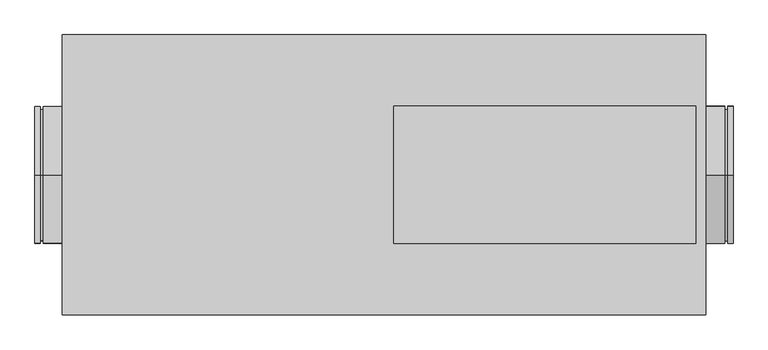
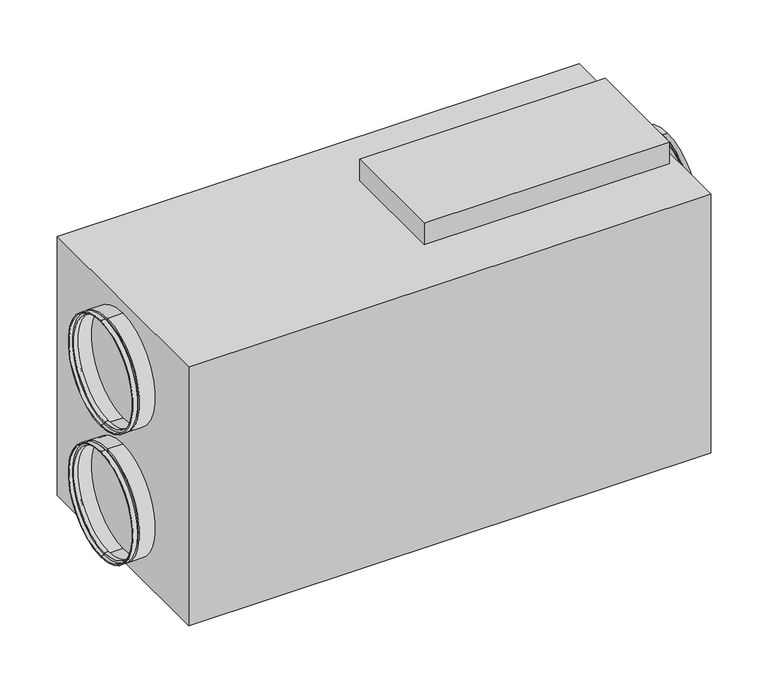
"""IFC4 building model written with IfcOpenShell, lengths in millimetres: proxy geometry."""

from ifc_helpers import new_model, si_unit, frame, origin, place, context, project, spatial, polyline, circle_curve, outline, extrude, source, transform, mapped, element, save
from ifc_brep_helpers import plane_surface, cylinder_surface, revolved_surface, advanced_brep


def mechanical_equipment_6e9532b8(model_context):
    return source(origin(), model_context, "Body", "SolidModel", [
        extrude(outline(polyline([(567.5, 125.0), (567.5, -125.0), (17.5, -125.0), (17.5, 125.0), (567.5, 125.0)])), frame((0.0, 0.0, 644.0), z_axis=(0.0, 0.0, 1.0), x_axis=(1.0, 0.0, 0.0)), (0.0, 0.0, 1.0), 51.0),
        advanced_brep(
        [(625.0, 0.0, 57.0), (625.0, 0.0, 307.0), (635.0, 0.0, 307.0), (635.0, 0.0, 57.0), (625.0, 0.0, 62.0), (625.0, 0.0, 302.0), (620.0, 0.0, 62.0), (620.0, 0.0, 302.0), (620.0, 0.0, 57.0), (620.0, 0.0, 307.0), (585.0, 0.0, 57.0), (585.0, 0.0, 307.0), (585.0, 0.0, 59.0), (585.0, 0.0, 305.0), (618.0, 0.0, 59.0), (618.0, 0.0, 305.0), (618.0, 0.0, 64.0), (618.0, 0.0, 300.0), (627.0, 0.0, 64.0), (627.0, 0.0, 300.0), (627.0, 0.0, 59.0), (627.0, 0.0, 305.0), (635.0, 0.0, 59.0), (635.0, 0.0, 305.0)],
        [
            (0, 1, circle_curve(frame((625.0, 0.0, 182.0), z_axis=(1.0, 0.0, 0.0), x_axis=(0.0, 0.0, 1.0)), 125.0)),
            (1, 2),
            (2, 3, circle_curve(frame((635.0, 0.0, 182.0), z_axis=(-1.0, 0.0, 0.0), x_axis=(0.0, 0.0, 1.0)), 125.0)),
            (3, 0),
            (1, 0, circle_curve(frame((625.0, 0.0, 182.0), z_axis=(1.0, 0.0, 0.0), x_axis=(0.0, 0.0, 1.0)), 125.0)),
            (3, 2, circle_curve(frame((635.0, 0.0, 182.0), z_axis=(-1.0, 0.0, 0.0), x_axis=(0.0, 0.0, 1.0)), 125.0)),
            (4, 5, circle_curve(frame((625.0, 0.0, 182.0), z_axis=(1.0, 0.0, 0.0), x_axis=(0.0, 0.0, 1.0)), 120.0)),
            (5, 1),
            (0, 4),
            (5, 4, circle_curve(frame((625.0, 0.0, 182.0), z_axis=(1.0, 0.0, 0.0), x_axis=(0.0, 0.0, 1.0)), 120.0)),
            (6, 7, circle_curve(frame((620.0, 0.0, 182.0), z_axis=(1.0, 0.0, 0.0), x_axis=(0.0, 0.0, 1.0)), 120.0)),
            (7, 5),
            (4, 6),
            (7, 6, circle_curve(frame((620.0, 0.0, 182.0), z_axis=(1.0, 0.0, 0.0), x_axis=(0.0, 0.0, 1.0)), 120.0)),
            (8, 9, circle_curve(frame((620.0, 0.0, 182.0), z_axis=(1.0, 0.0, 0.0), x_axis=(0.0, 0.0, 1.0)), 125.0)),
            (9, 7),
            (6, 8),
            (9, 8, circle_curve(frame((620.0, 0.0, 182.0), z_axis=(1.0, 0.0, 0.0), x_axis=(0.0, 0.0, 1.0)), 125.0)),
            (10, 11, circle_curve(frame((585.0, 0.0, 182.0), z_axis=(1.0, 0.0, 0.0), x_axis=(0.0, 0.0, 1.0)), 125.0)),
            (11, 9),
            (8, 10),
            (11, 10, circle_curve(frame((585.0, 0.0, 182.0), z_axis=(1.0, 0.0, 0.0), x_axis=(0.0, 0.0, 1.0)), 125.0)),
            (12, 13, circle_curve(frame((585.0, 0.0, 182.0), z_axis=(1.0, 0.0, 0.0), x_axis=(0.0, 0.0, 1.0)), 123.0)),
            (13, 11),
            (10, 12),
            (13, 12, circle_curve(frame((585.0, 0.0, 182.0), z_axis=(1.0, 0.0, 0.0), x_axis=(0.0, 0.0, 1.0)), 123.0)),
            (14, 15, circle_curve(frame((618.0, 0.0, 182.0), z_axis=(1.0, 0.0, 0.0), x_axis=(0.0, 0.0, 1.0)), 123.0)),
            (15, 13),
            (12, 14),
            (15, 14, circle_curve(frame((618.0, 0.0, 182.0), z_axis=(1.0, 0.0, 0.0), x_axis=(0.0, 0.0, 1.0)), 123.0)),
            (16, 17, circle_curve(frame((618.0, 0.0, 182.0), z_axis=(1.0, 0.0, 0.0), x_axis=(0.0, 0.0, 1.0)), 118.0)),
            (17, 15),
            (14, 16),
            (17, 16, circle_curve(frame((618.0, 0.0, 182.0), z_axis=(1.0, 0.0, 0.0), x_axis=(0.0, 0.0, 1.0)), 118.0)),
            (18, 19, circle_curve(frame((627.0, 0.0, 182.0), z_axis=(1.0, 0.0, 0.0), x_axis=(0.0, 0.0, 1.0)), 118.0)),
            (19, 17),
            (16, 18),
            (19, 18, circle_curve(frame((627.0, 0.0, 182.0), z_axis=(1.0, 0.0, 0.0), x_axis=(0.0, 0.0, 1.0)), 118.0)),
            (20, 21, circle_curve(frame((627.0, 0.0, 182.0), z_axis=(1.0, 0.0, 0.0), x_axis=(0.0, 0.0, 1.0)), 123.0)),
            (21, 19),
            (18, 20),
            (21, 20, circle_curve(frame((627.0, 0.0, 182.0), z_axis=(1.0, 0.0, 0.0), x_axis=(0.0, 0.0, 1.0)), 123.0)),
            (22, 23, circle_curve(frame((635.0, 0.0, 182.0), z_axis=(1.0, 0.0, 0.0), x_axis=(0.0, 0.0, 1.0)), 123.0)),
            (23, 21),
            (20, 22),
            (23, 22, circle_curve(frame((635.0, 0.0, 182.0), z_axis=(1.0, 0.0, 0.0), x_axis=(0.0, 0.0, 1.0)), 123.0)),
            (2, 23),
            (22, 3),
        ],
        [
            cylinder_surface(frame((2170.0440172, 0.0, 182.0), z_axis=(-1.0, 0.0, 0.0), x_axis=(0.0, 0.0, 1.0)), 125.0),
            plane_surface(frame((625.0, 0.0, 182.0), z_axis=(-1.0, 0.0, 0.0), x_axis=(0.0, 0.0, 1.0))),
            cylinder_surface(frame((2170.0440172, 0.0, 182.0), z_axis=(-1.0, 0.0, 0.0), x_axis=(0.0, 0.0, 1.0)), 120.0),
            plane_surface(frame((620.0, 0.0, 182.0), z_axis=(1.0, 0.0, 0.0), x_axis=(0.0, 0.0, 1.0))),
            plane_surface(frame((585.0, 0.0, 182.0), z_axis=(-1.0, 0.0, 0.0), x_axis=(0.0, 0.0, 1.0))),
            revolved_surface(polyline([(585.0, 0.0, 305.0), (618.0, 0.0, 305.0)]), (2170.0440172, 0.0, 182.0), (-1.0, 0.0, 0.0)),
            plane_surface(frame((618.0, 0.0, 182.0), z_axis=(-1.0, 0.0, 0.0), x_axis=(0.0, 0.0, 1.0))),
            revolved_surface(polyline([(618.0, 0.0, 300.0), (627.0, 0.0, 300.0)]), (2170.0440172, 0.0, 182.0), (-1.0, 0.0, 0.0)),
            plane_surface(frame((627.0, 0.0, 182.0), z_axis=(1.0, 0.0, 0.0), x_axis=(0.0, 0.0, 1.0))),
            revolved_surface(polyline([(627.0, 0.0, 305.0), (635.0, 0.0, 305.0)]), (2170.0440172, 0.0, 182.0), (-1.0, 0.0, 0.0)),
            plane_surface(frame((635.0, 0.0, 182.0), z_axis=(1.0, 0.0, 0.0), x_axis=(0.0, 0.0, 1.0))),
        ],
        [
            (0, [[1, 2, 3, 4]]),
            (0, [[5, -4, 6, -2]]),
            (1, [[7, 8, -1, 9]]),
            (1, [[10, -9, -5, -8]]),
            (2, [[11, 12, -7, 13]]),
            (2, [[14, -13, -10, -12]]),
            (3, [[15, 16, -11, 17]]),
            (3, [[18, -17, -14, -16]]),
            (0, [[19, 20, -15, 21]]),
            (0, [[22, -21, -18, -20]]),
            (4, [[23, 24, -19, 25]]),
            (4, [[26, -25, -22, -24]]),
            (5, [[27, 28, -23, 29]]),
            (5, [[30, -29, -26, -28]]),
            (6, [[31, 32, -27, 33]]),
            (6, [[34, -33, -30, -32]]),
            (7, [[35, 36, -31, 37]]),
            (7, [[38, -37, -34, -36]]),
            (8, [[39, 40, -35, 41]]),
            (8, [[42, -41, -38, -40]]),
            (9, [[43, 44, -39, 45]]),
            (9, [[46, -45, -42, -44]]),
            (10, [[-3, 47, -43, 48]]),
            (10, [[-6, -48, -46, -47]]),
        ],
    ),
        advanced_brep(
        [(625.0, 0.0, 367.0), (625.0, 0.0, 617.0), (635.0, 0.0, 617.0), (635.0, 0.0, 367.0), (625.0, 0.0, 372.0), (625.0, 0.0, 612.0), (620.0, 0.0, 372.0), (620.0, 0.0, 612.0), (620.0, 0.0, 367.0), (620.0, 0.0, 617.0), (585.0, 0.0, 367.0), (585.0, 0.0, 617.0), (585.0, 0.0, 369.0), (585.0, 0.0, 615.0), (618.0, 0.0, 369.0), (618.0, 0.0, 615.0), (618.0, 0.0, 374.0), (618.0, 0.0, 610.0), (627.0, 0.0, 374.0), (627.0, 0.0, 610.0), (627.0, 0.0, 369.0), (627.0, 0.0, 615.0), (635.0, 0.0, 369.0), (635.0, 0.0, 615.0)],
        [
            (0, 1, circle_curve(frame((625.0, 0.0, 492.0), z_axis=(1.0, 0.0, 0.0), x_axis=(0.0, 0.0, 1.0)), 125.0)),
            (1, 2),
            (2, 3, circle_curve(frame((635.0, 0.0, 492.0), z_axis=(-1.0, 0.0, 0.0), x_axis=(0.0, 0.0, 1.0)), 125.0)),
            (3, 0),
            (1, 0, circle_curve(frame((625.0, 0.0, 492.0), z_axis=(1.0, 0.0, 0.0), x_axis=(0.0, 0.0, 1.0)), 125.0)),
            (3, 2, circle_curve(frame((635.0, 0.0, 492.0), z_axis=(-1.0, 0.0, 0.0), x_axis=(0.0, 0.0, 1.0)), 125.0)),
            (4, 5, circle_curve(frame((625.0, 0.0, 492.0), z_axis=(1.0, 0.0, 0.0), x_axis=(0.0, 0.0, 1.0)), 120.0)),
            (5, 1),
            (0, 4),
            (5, 4, circle_curve(frame((625.0, 0.0, 492.0), z_axis=(1.0, 0.0, 0.0), x_axis=(0.0, 0.0, 1.0)), 120.0)),
            (6, 7, circle_curve(frame((620.0, 0.0, 492.0), z_axis=(1.0, 0.0, 0.0), x_axis=(0.0, 0.0, 1.0)), 120.0)),
            (7, 5),
            (4, 6),
            (7, 6, circle_curve(frame((620.0, 0.0, 492.0), z_axis=(1.0, 0.0, 0.0), x_axis=(0.0, 0.0, 1.0)), 120.0)),
            (8, 9, circle_curve(frame((620.0, 0.0, 492.0), z_axis=(1.0, 0.0, 0.0), x_axis=(0.0, 0.0, 1.0)), 125.0)),
            (9, 7),
            (6, 8),
            (9, 8, circle_curve(frame((620.0, 0.0, 492.0), z_axis=(1.0, 0.0, 0.0), x_axis=(0.0, 0.0, 1.0)), 125.0)),
            (10, 11, circle_curve(frame((585.0, 0.0, 492.0), z_axis=(1.0, 0.0, 0.0), x_axis=(0.0, 0.0, 1.0)), 125.0)),
            (11, 9),
            (8, 10),
            (11, 10, circle_curve(frame((585.0, 0.0, 492.0), z_axis=(1.0, 0.0, 0.0), x_axis=(0.0, 0.0, 1.0)), 125.0)),
            (12, 13, circle_curve(frame((585.0, 0.0, 492.0), z_axis=(1.0, 0.0, 0.0), x_axis=(0.0, 0.0, 1.0)), 123.0)),
            (13, 11),
            (10, 12),
            (13, 12, circle_curve(frame((585.0, 0.0, 492.0), z_axis=(1.0, 0.0, 0.0), x_axis=(0.0, 0.0, 1.0)), 123.0)),
            (14, 15, circle_curve(frame((618.0, 0.0, 492.0), z_axis=(1.0, 0.0, 0.0), x_axis=(0.0, 0.0, 1.0)), 123.0)),
            (15, 13),
            (12, 14),
            (15, 14, circle_curve(frame((618.0, 0.0, 492.0), z_axis=(1.0, 0.0, 0.0), x_axis=(0.0, 0.0, 1.0)), 123.0)),
            (16, 17, circle_curve(frame((618.0, 0.0, 492.0), z_axis=(1.0, 0.0, 0.0), x_axis=(0.0, 0.0, 1.0)), 118.0)),
            (17, 15),
            (14, 16),
            (17, 16, circle_curve(frame((618.0, 0.0, 492.0), z_axis=(1.0, 0.0, 0.0), x_axis=(0.0, 0.0, 1.0)), 118.0)),
            (18, 19, circle_curve(frame((627.0, 0.0, 492.0), z_axis=(1.0, 0.0, 0.0), x_axis=(0.0, 0.0, 1.0)), 118.0)),
            (19, 17),
            (16, 18),
            (19, 18, circle_curve(frame((627.0, 0.0, 492.0), z_axis=(1.0, 0.0, 0.0), x_axis=(0.0, 0.0, 1.0)), 118.0)),
            (20, 21, circle_curve(frame((627.0, 0.0, 492.0), z_axis=(1.0, 0.0, 0.0), x_axis=(0.0, 0.0, 1.0)), 123.0)),
            (21, 19),
            (18, 20),
            (21, 20, circle_curve(frame((627.0, 0.0, 492.0), z_axis=(1.0, 0.0, 0.0), x_axis=(0.0, 0.0, 1.0)), 123.0)),
            (22, 23, circle_curve(frame((635.0, 0.0, 492.0), z_axis=(1.0, 0.0, 0.0), x_axis=(0.0, 0.0, 1.0)), 123.0)),
            (23, 21),
            (20, 22),
            (23, 22, circle_curve(frame((635.0, 0.0, 492.0), z_axis=(1.0, 0.0, 0.0), x_axis=(0.0, 0.0, 1.0)), 123.0)),
            (2, 23),
            (22, 3),
        ],
        [
            cylinder_surface(frame((2170.0440172, 0.0, 492.0), z_axis=(-1.0, 0.0, 0.0), x_axis=(0.0, 0.0, 1.0)), 125.0),
            plane_surface(frame((625.0, 0.0, 492.0), z_axis=(-1.0, 0.0, 0.0), x_axis=(0.0, 0.0, 1.0))),
            cylinder_surface(frame((2170.0440172, 0.0, 492.0), z_axis=(-1.0, 0.0, 0.0), x_axis=(0.0, 0.0, 1.0)), 120.0),
            plane_surface(frame((620.0, 0.0, 492.0), z_axis=(1.0, 0.0, 0.0), x_axis=(0.0, 0.0, 1.0))),
            plane_surface(frame((585.0, 0.0, 492.0), z_axis=(-1.0, 0.0, 0.0), x_axis=(0.0, 0.0, 1.0))),
            revolved_surface(polyline([(585.0, 0.0, 615.0), (618.0, 0.0, 615.0)]), (2170.0440172, 0.0, 492.0), (-1.0, 0.0, 0.0)),
            plane_surface(frame((618.0, 0.0, 492.0), z_axis=(-1.0, 0.0, 0.0), x_axis=(0.0, 0.0, 1.0))),
            revolved_surface(polyline([(618.0, 0.0, 610.0), (627.0, 0.0, 610.0)]), (2170.0440172, 0.0, 492.0), (-1.0, 0.0, 0.0)),
            plane_surface(frame((627.0, 0.0, 492.0), z_axis=(1.0, 0.0, 0.0), x_axis=(0.0, 0.0, 1.0))),
            revolved_surface(polyline([(627.0, 0.0, 615.0), (635.0, 0.0, 615.0)]), (2170.0440172, 0.0, 492.0), (-1.0, 0.0, 0.0)),
            plane_surface(frame((635.0, 0.0, 492.0), z_axis=(1.0, 0.0, 0.0), x_axis=(0.0, 0.0, 1.0))),
        ],
        [
            (0, [[1, 2, 3, 4]]),
            (0, [[5, -4, 6, -2]]),
            (1, [[7, 8, -1, 9]]),
            (1, [[10, -9, -5, -8]]),
            (2, [[11, 12, -7, 13]]),
            (2, [[14, -13, -10, -12]]),
            (3, [[15, 16, -11, 17]]),
            (3, [[18, -17, -14, -16]]),
            (0, [[19, 20, -15, 21]]),
            (0, [[22, -21, -18, -20]]),
            (4, [[23, 24, -19, 25]]),
            (4, [[26, -25, -22, -24]]),
            (5, [[27, 28, -23, 29]]),
            (5, [[30, -29, -26, -28]]),
            (6, [[31, 32, -27, 33]]),
            (6, [[34, -33, -30, -32]]),
            (7, [[35, 36, -31, 37]]),
            (7, [[38, -37, -34, -36]]),
            (8, [[39, 40, -35, 41]]),
            (8, [[42, -41, -38, -40]]),
            (9, [[43, 44, -39, 45]]),
            (9, [[46, -45, -42, -44]]),
            (10, [[-3, 47, -43, 48]]),
            (10, [[-6, -48, -46, -47]]),
        ],
    ),
        advanced_brep(
        [(-625.0, 0.0, 617.0), (-625.0, 0.0, 367.0), (-635.0, 0.0, 367.0), (-635.0, 0.0, 617.0), (-625.0, 0.0, 612.0), (-625.0, 0.0, 372.0), (-620.0, 0.0, 612.0), (-620.0, 0.0, 372.0), (-620.0, 0.0, 617.0), (-620.0, 0.0, 367.0), (-585.0, 0.0, 617.0), (-585.0, 0.0, 367.0), (-585.0, 0.0, 615.0), (-585.0, 0.0, 369.0), (-618.0, 0.0, 615.0), (-618.0, 0.0, 369.0), (-618.0, 0.0, 610.0), (-618.0, 0.0, 374.0), (-627.0, 0.0, 610.0), (-627.0, 0.0, 374.0), (-627.0, 0.0, 615.0), (-627.0, 0.0, 369.0), (-635.0, 0.0, 615.0), (-635.0, 0.0, 369.0)],
        [
            (0, 1, circle_curve(frame((-625.0, 0.0, 492.0), z_axis=(-1.0, 0.0, 0.0), x_axis=(0.0, 0.0, -1.0)), 125.0)),
            (1, 2),
            (2, 3, circle_curve(frame((-635.0, 0.0, 492.0), z_axis=(1.0, 0.0, 0.0), x_axis=(0.0, 0.0, -1.0)), 125.0)),
            (3, 0),
            (1, 0, circle_curve(frame((-625.0, 0.0, 492.0), z_axis=(-1.0, 0.0, 0.0), x_axis=(0.0, 0.0, -1.0)), 125.0)),
            (3, 2, circle_curve(frame((-635.0, 0.0, 492.0), z_axis=(1.0, 0.0, 0.0), x_axis=(0.0, 0.0, -1.0)), 125.0)),
            (4, 5, circle_curve(frame((-625.0, 0.0, 492.0), z_axis=(-1.0, 0.0, 0.0), x_axis=(0.0, 0.0, -1.0)), 120.0)),
            (5, 1),
            (0, 4),
            (5, 4, circle_curve(frame((-625.0, 0.0, 492.0), z_axis=(-1.0, 0.0, 0.0), x_axis=(0.0, 0.0, -1.0)), 120.0)),
            (6, 7, circle_curve(frame((-620.0, 0.0, 492.0), z_axis=(-1.0, 0.0, 0.0), x_axis=(0.0, 0.0, -1.0)), 120.0)),
            (7, 5),
            (4, 6),
            (7, 6, circle_curve(frame((-620.0, 0.0, 492.0), z_axis=(-1.0, 0.0, 0.0), x_axis=(0.0, 0.0, -1.0)), 120.0)),
            (8, 9, circle_curve(frame((-620.0, 0.0, 492.0), z_axis=(-1.0, 0.0, 0.0), x_axis=(0.0, 0.0, -1.0)), 125.0)),
            (9, 7),
            (6, 8),
            (9, 8, circle_curve(frame((-620.0, 0.0, 492.0), z_axis=(-1.0, 0.0, 0.0), x_axis=(0.0, 0.0, -1.0)), 125.0)),
            (10, 11, circle_curve(frame((-585.0, 0.0, 492.0), z_axis=(-1.0, 0.0, 0.0), x_axis=(0.0, 0.0, -1.0)), 125.0)),
            (11, 9),
            (8, 10),
            (11, 10, circle_curve(frame((-585.0, 0.0, 492.0), z_axis=(-1.0, 0.0, 0.0), x_axis=(0.0, 0.0, -1.0)), 125.0)),
            (12, 13, circle_curve(frame((-585.0, 0.0, 492.0), z_axis=(-1.0, 0.0, 0.0), x_axis=(0.0, 0.0, -1.0)), 123.0)),
            (13, 11),
            (10, 12),
            (13, 12, circle_curve(frame((-585.0, 0.0, 492.0), z_axis=(-1.0, 0.0, 0.0), x_axis=(0.0, 0.0, -1.0)), 123.0)),
            (14, 15, circle_curve(frame((-618.0, 0.0, 492.0), z_axis=(-1.0, 0.0, 0.0), x_axis=(0.0, 0.0, -1.0)), 123.0)),
            (15, 13),
            (12, 14),
            (15, 14, circle_curve(frame((-618.0, 0.0, 492.0), z_axis=(-1.0, 0.0, 0.0), x_axis=(0.0, 0.0, -1.0)), 123.0)),
            (16, 17, circle_curve(frame((-618.0, 0.0, 492.0), z_axis=(-1.0, 0.0, 0.0), x_axis=(0.0, 0.0, -1.0)), 118.0)),
            (17, 15),
            (14, 16),
            (17, 16, circle_curve(frame((-618.0, 0.0, 492.0), z_axis=(-1.0, 0.0, 0.0), x_axis=(0.0, 0.0, -1.0)), 118.0)),
            (18, 19, circle_curve(frame((-627.0, 0.0, 492.0), z_axis=(-1.0, 0.0, 0.0), x_axis=(0.0, 0.0, -1.0)), 118.0)),
            (19, 17),
            (16, 18),
            (19, 18, circle_curve(frame((-627.0, 0.0, 492.0), z_axis=(-1.0, 0.0, 0.0), x_axis=(0.0, 0.0, -1.0)), 118.0)),
            (20, 21, circle_curve(frame((-627.0, 0.0, 492.0), z_axis=(-1.0, 0.0, 0.0), x_axis=(0.0, 0.0, -1.0)), 123.0)),
            (21, 19),
            (18, 20),
            (21, 20, circle_curve(frame((-627.0, 0.0, 492.0), z_axis=(-1.0, 0.0, 0.0), x_axis=(0.0, 0.0, -1.0)), 123.0)),
            (22, 23, circle_curve(frame((-635.0, 0.0, 492.0), z_axis=(-1.0, 0.0, 0.0), x_axis=(0.0, 0.0, -1.0)), 123.0)),
            (23, 21),
            (20, 22),
            (23, 22, circle_curve(frame((-635.0, 0.0, 492.0), z_axis=(-1.0, 0.0, 0.0), x_axis=(0.0, 0.0, -1.0)), 123.0)),
            (2, 23),
            (22, 3),
        ],
        [
            cylinder_surface(frame((-2170.0440172, 0.0, 492.0), z_axis=(1.0, 0.0, 0.0), x_axis=(0.0, 0.0, -1.0)), 125.0),
            plane_surface(frame((-625.0, 0.0, 492.0), z_axis=(1.0, 0.0, 0.0), x_axis=(0.0, 0.0, -1.0))),
            cylinder_surface(frame((-2170.0440172, 0.0, 492.0), z_axis=(1.0, 0.0, 0.0), x_axis=(0.0, 0.0, -1.0)), 120.0),
            plane_surface(frame((-620.0, 0.0, 492.0), z_axis=(-1.0, 0.0, 0.0), x_axis=(0.0, 0.0, -1.0))),
            plane_surface(frame((-585.0, 0.0, 492.0), z_axis=(1.0, 0.0, 0.0), x_axis=(0.0, 0.0, -1.0))),
            revolved_surface(polyline([(-585.0, 0.0, 369.0), (-618.0, 0.0, 369.0)]), (-2170.0440172, 0.0, 492.0), (1.0, 0.0, 0.0)),
            plane_surface(frame((-618.0, 0.0, 492.0), z_axis=(1.0, 0.0, 0.0), x_axis=(0.0, 0.0, -1.0))),
            revolved_surface(polyline([(-618.0, 0.0, 374.0), (-627.0, 0.0, 374.0)]), (-2170.0440172, 0.0, 492.0), (1.0, 0.0, 0.0)),
            plane_surface(frame((-627.0, 0.0, 492.0), z_axis=(-1.0, 0.0, 0.0), x_axis=(0.0, 0.0, -1.0))),
            revolved_surface(polyline([(-627.0, 0.0, 369.0), (-635.0, 0.0, 369.0)]), (-2170.0440172, 0.0, 492.0), (1.0, 0.0, 0.0)),
            plane_surface(frame((-635.0, 0.0, 492.0), z_axis=(-1.0, 0.0, 0.0), x_axis=(0.0, 0.0, -1.0))),
        ],
        [
            (0, [[1, 2, 3, 4]]),
            (0, [[5, -4, 6, -2]]),
            (1, [[7, 8, -1, 9]]),
            (1, [[10, -9, -5, -8]]),
            (2, [[11, 12, -7, 13]]),
            (2, [[14, -13, -10, -12]]),
            (3, [[15, 16, -11, 17]]),
            (3, [[18, -17, -14, -16]]),
            (0, [[19, 20, -15, 21]]),
            (0, [[22, -21, -18, -20]]),
            (4, [[23, 24, -19, 25]]),
            (4, [[26, -25, -22, -24]]),
            (5, [[27, 28, -23, 29]]),
            (5, [[30, -29, -26, -28]]),
            (6, [[31, 32, -27, 33]]),
            (6, [[34, -33, -30, -32]]),
            (7, [[35, 36, -31, 37]]),
            (7, [[38, -37, -34, -36]]),
            (8, [[39, 40, -35, 41]]),
            (8, [[42, -41, -38, -40]]),
            (9, [[43, 44, -39, 45]]),
            (9, [[46, -45, -42, -44]]),
            (10, [[-3, 47, -43, 48]]),
            (10, [[-6, -48, -46, -47]]),
        ],
    ),
        advanced_brep(
        [(-625.0, 0.0, 307.0), (-625.0, 0.0, 57.0), (-635.0, 0.0, 57.0), (-635.0, 0.0, 307.0), (-625.0, 0.0, 302.0), (-625.0, 0.0, 62.0), (-620.0, 0.0, 302.0), (-620.0, 0.0, 62.0), (-620.0, 0.0, 307.0), (-620.0, 0.0, 57.0), (-585.0, 0.0, 307.0), (-585.0, 0.0, 57.0), (-585.0, 0.0, 305.0), (-585.0, 0.0, 59.0), (-618.0, 0.0, 305.0), (-618.0, 0.0, 59.0), (-618.0, 0.0, 300.0), (-618.0, 0.0, 64.0), (-627.0, 0.0, 300.0), (-627.0, 0.0, 64.0), (-627.0, 0.0, 305.0), (-627.0, 0.0, 59.0), (-635.0, 0.0, 305.0), (-635.0, 0.0, 59.0)],
        [
            (0, 1, circle_curve(frame((-625.0, 0.0, 182.0), z_axis=(-1.0, 0.0, 0.0), x_axis=(0.0, 0.0, -1.0)), 125.0)),
            (1, 2),
            (2, 3, circle_curve(frame((-635.0, 0.0, 182.0), z_axis=(1.0, 0.0, 0.0), x_axis=(0.0, 0.0, -1.0)), 125.0)),
            (3, 0),
            (1, 0, circle_curve(frame((-625.0, 0.0, 182.0), z_axis=(-1.0, 0.0, 0.0), x_axis=(0.0, 0.0, -1.0)), 125.0)),
            (3, 2, circle_curve(frame((-635.0, 0.0, 182.0), z_axis=(1.0, 0.0, 0.0), x_axis=(0.0, 0.0, -1.0)), 125.0)),
            (4, 5, circle_curve(frame((-625.0, 0.0, 182.0), z_axis=(-1.0, 0.0, 0.0), x_axis=(0.0, 0.0, -1.0)), 120.0)),
            (5, 1),
            (0, 4),
            (5, 4, circle_curve(frame((-625.0, 0.0, 182.0), z_axis=(-1.0, 0.0, 0.0), x_axis=(0.0, 0.0, -1.0)), 120.0)),
            (6, 7, circle_curve(frame((-620.0, 0.0, 182.0), z_axis=(-1.0, 0.0, 0.0), x_axis=(0.0, 0.0, -1.0)), 120.0)),
            (7, 5),
            (4, 6),
            (7, 6, circle_curve(frame((-620.0, 0.0, 182.0), z_axis=(-1.0, 0.0, 0.0), x_axis=(0.0, 0.0, -1.0)), 120.0)),
            (8, 9, circle_curve(frame((-620.0, 0.0, 182.0), z_axis=(-1.0, 0.0, 0.0), x_axis=(0.0, 0.0, -1.0)), 125.0)),
            (9, 7),
            (6, 8),
            (9, 8, circle_curve(frame((-620.0, 0.0, 182.0), z_axis=(-1.0, 0.0, 0.0), x_axis=(0.0, 0.0, -1.0)), 125.0)),
            (10, 11, circle_curve(frame((-585.0, 0.0, 182.0), z_axis=(-1.0, 0.0, 0.0), x_axis=(0.0, 0.0, -1.0)), 125.0)),
            (11, 9),
            (8, 10),
            (11, 10, circle_curve(frame((-585.0, 0.0, 182.0), z_axis=(-1.0, 0.0, 0.0), x_axis=(0.0, 0.0, -1.0)), 125.0)),
            (12, 13, circle_curve(frame((-585.0, 0.0, 182.0), z_axis=(-1.0, 0.0, 0.0), x_axis=(0.0, 0.0, -1.0)), 123.0)),
            (13, 11),
            (10, 12),
            (13, 12, circle_curve(frame((-585.0, 0.0, 182.0), z_axis=(-1.0, 0.0, 0.0), x_axis=(0.0, 0.0, -1.0)), 123.0)),
            (14, 15, circle_curve(frame((-618.0, 0.0, 182.0), z_axis=(-1.0, 0.0, 0.0), x_axis=(0.0, 0.0, -1.0)), 123.0)),
            (15, 13),
            (12, 14),
            (15, 14, circle_curve(frame((-618.0, 0.0, 182.0), z_axis=(-1.0, 0.0, 0.0), x_axis=(0.0, 0.0, -1.0)), 123.0)),
            (16, 17, circle_curve(frame((-618.0, 0.0, 182.0), z_axis=(-1.0, 0.0, 0.0), x_axis=(0.0, 0.0, -1.0)), 118.0)),
            (17, 15),
            (14, 16),
            (17, 16, circle_curve(frame((-618.0, 0.0, 182.0), z_axis=(-1.0, 0.0, 0.0), x_axis=(0.0, 0.0, -1.0)), 118.0)),
            (18, 19, circle_curve(frame((-627.0, 0.0, 182.0), z_axis=(-1.0, 0.0, 0.0), x_axis=(0.0, 0.0, -1.0)), 118.0)),
            (19, 17),
            (16, 18),
            (19, 18, circle_curve(frame((-627.0, 0.0, 182.0), z_axis=(-1.0, 0.0, 0.0), x_axis=(0.0, 0.0, -1.0)), 118.0)),
            (20, 21, circle_curve(frame((-627.0, 0.0, 182.0), z_axis=(-1.0, 0.0, 0.0), x_axis=(0.0, 0.0, -1.0)), 123.0)),
            (21, 19),
            (18, 20),
            (21, 20, circle_curve(frame((-627.0, 0.0, 182.0), z_axis=(-1.0, 0.0, 0.0), x_axis=(0.0, 0.0, -1.0)), 123.0)),
            (22, 23, circle_curve(frame((-635.0, 0.0, 182.0), z_axis=(-1.0, 0.0, 0.0), x_axis=(0.0, 0.0, -1.0)), 123.0)),
            (23, 21),
            (20, 22),
            (23, 22, circle_curve(frame((-635.0, 0.0, 182.0), z_axis=(-1.0, 0.0, 0.0), x_axis=(0.0, 0.0, -1.0)), 123.0)),
            (2, 23),
            (22, 3),
        ],
        [
            cylinder_surface(frame((-2170.0440172, 0.0, 182.0), z_axis=(1.0, 0.0, 0.0), x_axis=(0.0, 0.0, -1.0)), 125.0),
            plane_surface(frame((-625.0, 0.0, 182.0), z_axis=(1.0, 0.0, 0.0), x_axis=(0.0, 0.0, -1.0))),
            cylinder_surface(frame((-2170.0440172, 0.0, 182.0), z_axis=(1.0, 0.0, 0.0), x_axis=(0.0, 0.0, -1.0)), 120.0),
            plane_surface(frame((-620.0, 0.0, 182.0), z_axis=(-1.0, 0.0, 0.0), x_axis=(0.0, 0.0, -1.0))),
            plane_surface(frame((-585.0, 0.0, 182.0), z_axis=(1.0, 0.0, 0.0), x_axis=(0.0, 0.0, -1.0))),
            revolved_surface(polyline([(-585.0, 0.0, 59.0), (-618.0, 0.0, 59.0)]), (-2170.0440172, 0.0, 182.0), (1.0, 0.0, 0.0)),
            plane_surface(frame((-618.0, 0.0, 182.0), z_axis=(1.0, 0.0, 0.0), x_axis=(0.0, 0.0, -1.0))),
            revolved_surface(polyline([(-618.0, 0.0, 64.0), (-627.0, 0.0, 64.0)]), (-2170.0440172, 0.0, 182.0), (1.0, 0.0, 0.0)),
            plane_surface(frame((-627.0, 0.0, 182.0), z_axis=(-1.0, 0.0, 0.0), x_axis=(0.0, 0.0, -1.0))),
            revolved_surface(polyline([(-627.0, 0.0, 59.0), (-635.0, 0.0, 59.0)]), (-2170.0440172, 0.0, 182.0), (1.0, 0.0, 0.0)),
            plane_surface(frame((-635.0, 0.0, 182.0), z_axis=(-1.0, 0.0, 0.0), x_axis=(0.0, 0.0, -1.0))),
        ],
        [
            (0, [[1, 2, 3, 4]]),
            (0, [[5, -4, 6, -2]]),
            (1, [[7, 8, -1, 9]]),
            (1, [[10, -9, -5, -8]]),
            (2, [[11, 12, -7, 13]]),
            (2, [[14, -13, -10, -12]]),
            (3, [[15, 16, -11, 17]]),
            (3, [[18, -17, -14, -16]]),
            (0, [[19, 20, -15, 21]]),
            (0, [[22, -21, -18, -20]]),
            (4, [[23, 24, -19, 25]]),
            (4, [[26, -25, -22, -24]]),
            (5, [[27, 28, -23, 29]]),
            (5, [[30, -29, -26, -28]]),
            (6, [[31, 32, -27, 33]]),
            (6, [[34, -33, -30, -32]]),
            (7, [[35, 36, -31, 37]]),
            (7, [[38, -37, -34, -36]]),
            (8, [[39, 40, -35, 41]]),
            (8, [[42, -41, -38, -40]]),
            (9, [[43, 44, -39, 45]]),
            (9, [[46, -45, -42, -44]]),
            (10, [[-3, 47, -43, 48]]),
            (10, [[-6, -48, -46, -47]]),
        ],
    ),
        extrude(outline(polyline([(0.0, 415.0), (31.0, 462.113356), (31.0, 456.8560448), (5.0, 411.3672874), (5.0, 385.0), (5.0, 358.6327126), (31.0, 313.1439552), (31.0, 307.886644), (0.0, 355.0), (0.0, 385.0), (0.0, 415.0)])), frame((0.0, -205.0, 0.0), z_axis=(0.0, 1.0, 0.0), x_axis=(0.0, 0.0, 1.0)), (0.0, 0.0, 1.0), 410.0),
        extrude(outline(polyline([(0.0, -355.0), (31.0, -307.886644), (31.0, -313.1439552), (5.0, -358.6327126), (5.0, -385.0), (5.0, -411.3672874), (31.0, -456.8560448), (31.0, -462.113356), (0.0, -415.0), (0.0, -385.0), (0.0, -355.0)])), frame((0.0, -205.0, 0.0), z_axis=(0.0, 1.0, 0.0), x_axis=(0.0, 0.0, 1.0)), (0.0, 0.0, 1.0), 410.0),
        extrude(outline(polyline([(-585.0, 255.0), (585.0, 255.0), (585.0, -255.0), (-585.0, -255.0), (-585.0, 255.0)])), frame((0.0, 0.0, 31.0), z_axis=(0.0, 0.0, 1.0), x_axis=(1.0, 0.0, 0.0)), (0.0, 0.0, 1.0), 613.0),
    ])


if __name__ == "__main__":
    model = new_model("IFC4")
    model_context = context("Model", 3, world=origin())
    ifc_project = project(units=[si_unit("LENGTHUNIT", "METRE", prefix="MILLI")], contexts=[model_context])
    site = spatial("IfcSite", under=ifc_project)
    building = spatial("IfcBuilding", under=site)
    placement = place(None, origin())
    mechanical_equipment_shape = mechanical_equipment_6e9532b8(model_context)
    element("IfcBuildingElementProxy", 1, Name="Mechanical Equipment", at=placement, inside=building, context=model_context, shape_type="MappedRepresentation", body=[
        mapped(mechanical_equipment_shape, transform((0.0, 0.0, 0.0), x_axis=(1.0, 0.0, 0.0), y_axis=(0.0, 1.0, 0.0), z_axis=(0.0, 0.0, 1.0))),
    ])
    save(model, "model.ifc")
